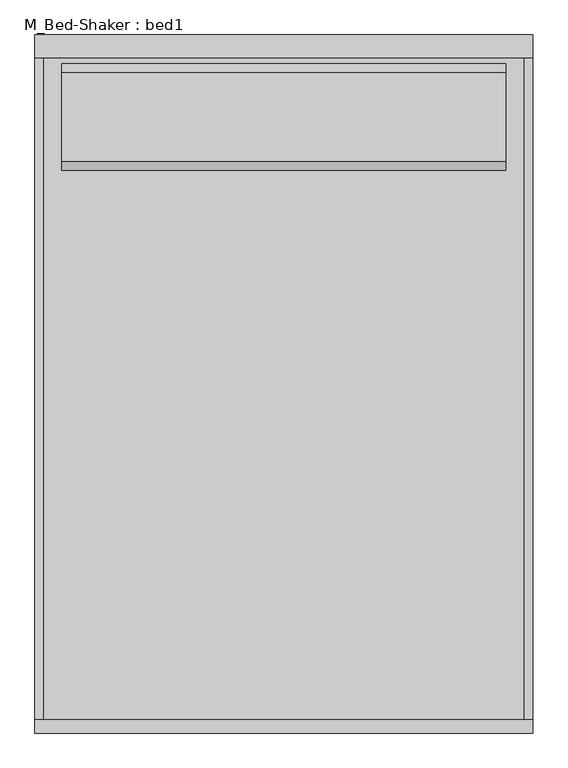
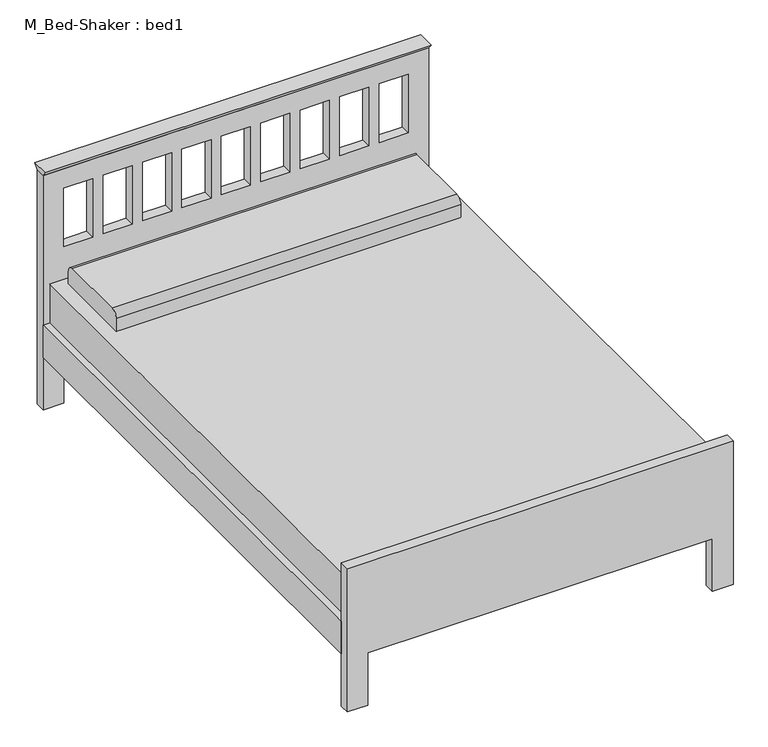
"""IFC4 building model written with IfcOpenShell, lengths in millimetres: furniture geometry, M_Bed-Shaker : bed1."""

from ifc_helpers import new_model, si_unit, point, frame, frame_2d, origin, place, context, project, spatial, polyline, circle_curve, trimmed, segment, composite_curve, outline, extrude, source, transform, mapped, element, save


def m_bed_shaker_bed1_096e7f55(model_context):
    return source(origin(), model_context, "Body", "SweptSolid", [
        extrude(outline(polyline([(-38.1, 914.4), (-51.9545455, 933.45), (13.8545455, 933.45), (0.0, 914.4), (-38.1, 914.4)])), frame((-730.0365546, 0.0, 0.0), z_axis=(1.0, 0.0, 0.0), x_axis=(0.0, 1.0, 0.0)), (0.0, 0.0, 1.0), 1422.4533613),
        extrude(outline(composite_curve([segment(polyline([(-373.2486637, 482.6), (-373.2486637, 533.4)]), True, "CONTINUOUS"), segment(trimmed(circle_curve(frame_2d((-347.8486637, 533.4)), 25.4), [point((-373.2486637, 533.4))], [point((-347.8486637, 558.8))], False, "CARTESIAN"), True, "CONTINUOUS"), segment(polyline([(-347.8486637, 558.8), (-93.8486637, 558.8)]), True, "CONTINUOUS"), segment(trimmed(circle_curve(frame_2d((-93.8486637, 533.4)), 25.4), [point((-93.8486637, 558.8))], [point((-68.4486637, 533.4))], False, "CARTESIAN"), True, "CONTINUOUS"), segment(polyline([(-68.4486637, 533.4), (-68.4486637, 482.6), (-373.2486637, 482.6)]), True, "CONTINUOUS")], self_intersect=False)), frame((-654.05, 0.0, 0.0), z_axis=(1.0, 0.0, 0.0), x_axis=(0.0, 1.0, 0.0)), (0.0, 0.0, 1.0), 1270.0),
        extrude(outline(polyline([(666.75, -38.1), (666.75, -1943.1), (-704.85, -1943.1), (-704.85, -38.1), (666.75, -38.1)])), frame((0.0, 0.0, 228.6), z_axis=(0.0, 0.0, 1.0), x_axis=(1.0, 0.0, 0.0)), (0.0, 0.0, 1.0), 254.0),
        extrude(outline(polyline([(666.75, -1943.1), (666.75, -38.1), (692.15, -38.1), (692.15, -1943.1), (666.75, -1943.1)])), frame((0.0, 0.0, 203.0994861), z_axis=(0.0, 0.0, 1.0), x_axis=(1.0, 0.0, 0.0)), (0.0, 0.0, 1.0), 127.0),
        extrude(outline(polyline([(-730.25, -1943.1), (-730.25, -38.1), (-704.85, -38.1), (-704.85, -1943.1), (-730.25, -1943.1)])), frame((0.0, 0.0, 203.5755296), z_axis=(0.0, 0.0, 1.0), x_axis=(1.0, 0.0, 0.0)), (0.0, 0.0, 1.0), 127.0),
        extrude(outline(polyline([(0.0, -654.05), (203.2, -654.05), (203.2, 615.95), (0.0, 615.95), (0.0, 692.15), (558.8, 692.15), (558.8, -730.25), (0.0, -730.25), (0.0, -654.05)])), frame((0.0, -1981.2, 0.0), z_axis=(0.0, 1.0, 0.0), x_axis=(0.0, 0.0, 1.0)), (0.0, 0.0, 1.0), 38.1),
        extrude(outline(polyline([(914.4, 692.4168067), (914.4, -730.0365546), (0.0, -730.0365546), (0.0, -654.05), (203.2, -654.05), (203.2, 615.95), (0.0, 615.95), (0.0, 692.4168067), (914.4, 692.4168067)]), holes=[polyline([(838.2, -546.8055556), (609.6, -546.8055556), (609.6, -654.05), (838.2, -654.05), (838.2, -546.8055556)]), polyline([(838.2, -401.4611111), (609.6, -401.4611111), (609.6, -508.7055556), (838.2, -508.7055556), (838.2, -401.4611111)]), polyline([(838.2, -256.1166667), (609.6, -256.1166667), (609.6, -363.3611111), (838.2, -363.3611111), (838.2, -256.1166667)]), polyline([(838.2, -110.7722222), (609.6, -110.7722222), (609.6, -218.0166667), (838.2, -218.0166667), (838.2, -110.7722222)]), polyline([(838.2, 179.9166667), (609.6, 179.9166667), (609.6, 72.6722222), (838.2, 72.6722222), (838.2, 179.9166667)]), polyline([(838.2, 325.2611111), (609.6, 325.2611111), (609.6, 218.0166667), (838.2, 218.0166667), (838.2, 325.2611111)]), polyline([(838.2, 470.6055556), (609.6, 470.6055556), (609.6, 363.3611111), (838.2, 363.3611111), (838.2, 470.6055556)]), polyline([(838.2, 615.95), (609.6, 615.95), (609.6, 508.7055556), (838.2, 508.7055556), (838.2, 615.95)]), polyline([(838.2, 34.5722222), (609.6, 34.5722222), (609.6, -72.6722222), (838.2, -72.6722222), (838.2, 34.5722222)])]), frame((0.0, -38.1, 0.0), z_axis=(0.0, 1.0, 0.0), x_axis=(0.0, 0.0, 1.0)), (0.0, 0.0, 1.0), 38.1),
    ])


if __name__ == "__main__":
    model = new_model("IFC4")
    model_context = context("Model", 3, world=origin())
    ifc_project = project(units=[si_unit("LENGTHUNIT", "METRE", prefix="MILLI")], contexts=[model_context])
    site = spatial("IfcSite", under=ifc_project)
    building = spatial("IfcBuilding", under=site)
    placement = place(None, origin())
    m_bed_shaker_bed1_shape = m_bed_shaker_bed1_096e7f55(model_context)
    element("IfcFurniture", 1, ObjectType="M_Bed-Shaker : bed1", at=placement, inside=building, context=model_context, shape_type="MappedRepresentation", body=[
        mapped(m_bed_shaker_bed1_shape, transform((0.0, 0.0, 0.0), x_axis=(1.0, 0.0, 0.0), y_axis=(0.0, 1.0, 0.0), z_axis=(0.0, 0.0, 1.0))),
    ])
    save(model, "model.ifc")
